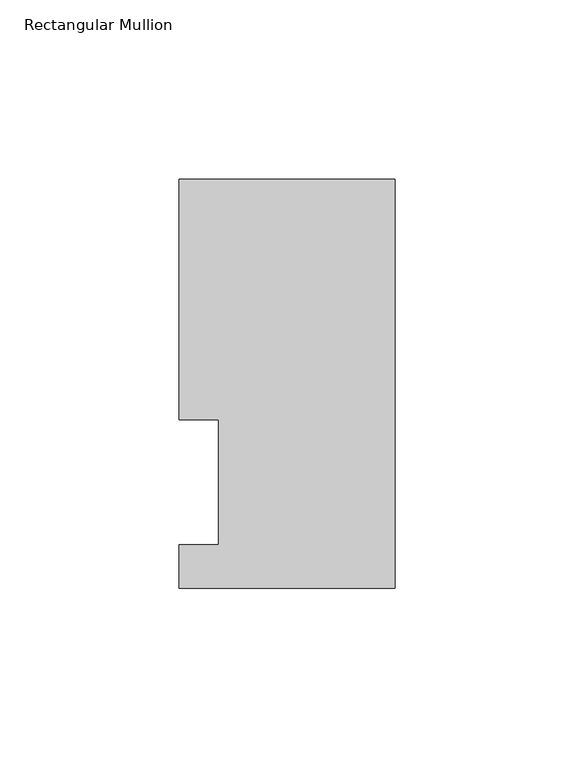
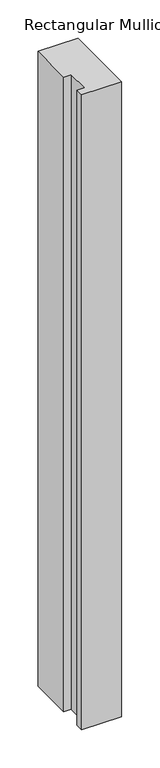
"""IFC4 building model written with IfcOpenShell, lengths in millimetres: member geometry, Rectangular Mullion."""

from ifc_helpers import new_model, si_unit, frame, origin, place, context, project, spatial, polyline, outline, extrude, source, transform, mapped, element, save


def rectangular_mullion_3c0bf67c(model_context):
    return source(origin(), model_context, "Body", "SweptSolid", [
        extrude(outline(polyline([(0.0, 114.252375), (0.0, -0.047625), (-60.325, -0.047625), (-60.325, 12.144375), (-49.2125, 12.144375), (-49.2125, 47.069375), (-60.325, 47.069375), (-60.325, 114.252375), (0.0, 114.252375)])), frame((0.0, 0.0, -1012.825), z_axis=(0.0, 0.0, 1.0), x_axis=(1.0, 0.0, 0.0)), (0.0, 0.0, 1.0), 1012.825),
    ])


if __name__ == "__main__":
    model = new_model("IFC4")
    model_context = context("Model", 3, world=origin())
    ifc_project = project(units=[si_unit("LENGTHUNIT", "METRE", prefix="MILLI")], contexts=[model_context])
    site = spatial("IfcSite", under=ifc_project)
    building = spatial("IfcBuilding", under=site)
    placement = place(None, origin())
    rectangular_mullion_shape = rectangular_mullion_3c0bf67c(model_context)
    element("IfcMember", 1, ObjectType="Rectangular Mullion", at=placement, inside=building, context=model_context, shape_type="MappedRepresentation", body=[
        mapped(rectangular_mullion_shape, transform((0.0, 0.0, 0.0), x_axis=(1.0, 0.0, 0.0), y_axis=(0.0, 1.0, 0.0), z_axis=(0.0, 0.0, 1.0))),
    ])
    save(model, "model.ifc")
